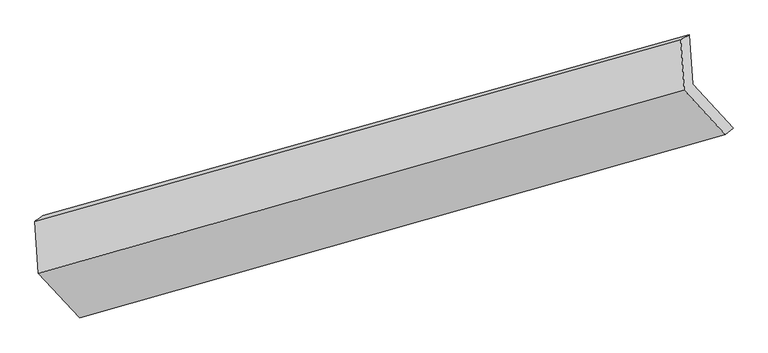
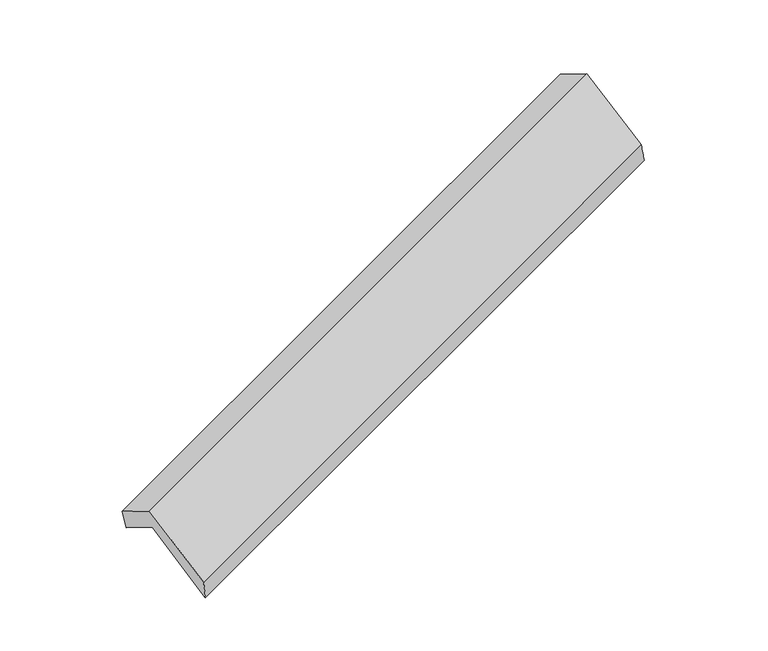
"""IFC4 building model written with IfcOpenShell, lengths in millimetres: proxy geometry."""

from ifc_helpers import new_model, si_unit, frame, origin, place, context, project, spatial, source, transform, mapped, element, save
from ifc_brep_helpers import plane_surface, spline_surface, advanced_brep


def generic_models_ce7f81fe(model_context):
    return source(origin(), model_context, "Body", "AdvancedBrep", [
        advanced_brep(
        [(-5083.3321405, -2101.4659246, 1288.1071799), (-5105.9639961, -1769.1260538, 1092.2579662), (-773.493001, -557.3095858, 2667.6906422), (-750.8611454, -889.6494566, 2863.5398558), (-5161.6969085, -1809.2596633, 1279.1523186), (-829.8115967, -588.8426686, 2849.5166699), (-5137.8936865, -2158.8005875, 1485.1381818), (-806.5940579, -929.7830661, 3050.4342083), (-4861.8231167, -2457.1892904, 946.8952637), (-530.523488, -1228.1717691, 2512.1912902), (-4811.35451, -2395.4308062, 757.8440896), (-478.8835149, -1183.6143383, 2333.2767656)],
        [
            (0, 1),
            (1, 2),
            (2, 3),
            (3, 0),
            (1, 4),
            (4, 5),
            (5, 2),
            (4, 6),
            (6, 7),
            (7, 5),
            (6, 8),
            (8, 9),
            (9, 7),
            (8, 10),
            (10, 11),
            (11, 9),
            (10, 0),
            (3, 11),
        ],
        [
            plane_surface(frame((-5094.6480683, -1935.2959892, 1190.182573), z_axis=(0.4131107352376705, -0.441311736198385, -0.796607476694111), x_axis=(-0.05856831985716225, 0.8600526697484366, -0.5068324744604432))),
            spline_surface(1, 1, [[(-5105.9639961, -1769.1260538, 1092.2579662), (-773.493001, -557.3095858, 2667.6906422)], [(-5161.6969085, -1809.2596633, 1279.1523186), (-829.8115967, -588.8426686, 2849.5166699)]], [2, 2], [2, 2], [0.0, 1.0], [0.0, 1.0]),
            plane_surface(frame((-5149.7952975, -1984.0301254, 1382.1452502), z_axis=(-0.4131107352376714, 0.44131173619838443, 0.7966074766941109), x_axis=(0.058568319857161995, -0.8600526697484369, 0.5068324744604428))),
            plane_surface(frame((-4999.8584016, -2307.994939, 1216.0167227), z_axis=(0.060478404798974594, -0.8595175239304499, 0.5075155057822764), x_axis=(0.4092939356429926, -0.44238212951883094, -0.7979827853583398))),
            spline_surface(1, 1, [[(-4861.8231167, -2457.1892904, 946.8952637), (-530.523488, -1228.1717691, 2512.1912902)], [(-4811.35451, -2395.4308062, 757.8440896), (-478.8835149, -1183.6143383, 2333.2767656)]], [2, 2], [2, 2], [0.0, 1.0], [0.0, 1.0]),
            plane_surface(frame((-4947.3433252, -2248.4483654, 1022.9756347), z_axis=(-0.05665797713642384, 0.8605840301845178, -0.5061472123979163), x_axis=(-0.4092939356429859, 0.44238212951882044, 0.797982785358349))),
            plane_surface(frame((-695.0278007, -896.2284807, 2712.7749053), z_axis=(0.9105208543218477, 0.25417996919693614, 0.32610476400086097), x_axis=(0.26969644058675074, 0.23270694721786578, -0.9344042522652488))),
            plane_surface(frame((-5027.0107264, -2115.2120543, 1141.5658333), z_axis=(-0.9105208543218424, -0.2541799691969639, -0.32610476400085453), x_axis=(0.4092939356429952, -0.4423821295188295, -0.7979827853583392))),
        ],
        [
            (0, [[1, 2, 3, 4]]),
            (1, [[5, 6, 7, -2]]),
            (2, [[8, 9, 10, -6]]),
            (3, [[11, 12, 13, -9]]),
            (4, [[14, 15, 16, -12]]),
            (5, [[17, -4, 18, -15]]),
            (6, [[-16, -18, -3, -7, -10, -13]]),
            (7, [[-17, -14, -11, -8, -5, -1]]),
        ],
    ),
    ])


if __name__ == "__main__":
    model = new_model("IFC4")
    model_context = context("Model", 3, world=origin())
    ifc_project = project(units=[si_unit("LENGTHUNIT", "METRE", prefix="MILLI")], contexts=[model_context])
    site = spatial("IfcSite", under=ifc_project)
    building = spatial("IfcBuilding", under=site)
    placement = place(None, origin())
    generic_models_shape = generic_models_ce7f81fe(model_context)
    element("IfcBuildingElementProxy", 1, Name="Generic Models", at=placement, inside=building, context=model_context, shape_type="MappedRepresentation", body=[
        mapped(generic_models_shape, transform((0.0, 0.0, 0.0), x_axis=(1.0, 0.0, 0.0), y_axis=(0.0, 1.0, 0.0), z_axis=(0.0, 0.0, 1.0))),
    ])
    save(model, "model.ifc")
